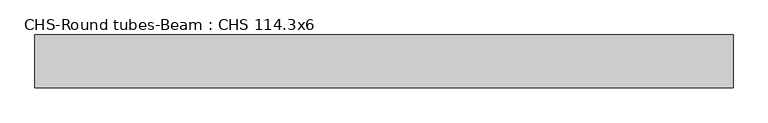
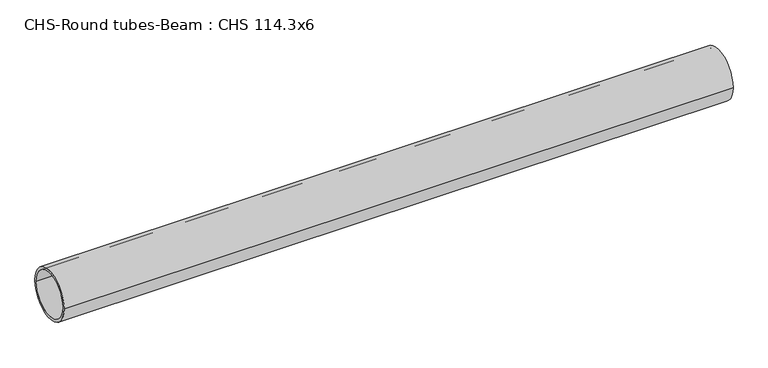
"""IFC4 building model written with IfcOpenShell, lengths in millimetres: beam geometry, CHS-Round tubes-Beam : CHS 114.3x6."""

from ifc_helpers import new_model, si_unit, point, frame, origin, origin_2d, place, context, project, spatial, circle_curve, trimmed, segment, composite_curve, outline, extrude, source, transform, mapped, element, save


def chs_round_tubes_beam_chs_114_3x6_421e227d(model_context):
    return source(origin(), model_context, "Body", "SweptSolid", [
        extrude(outline(composite_curve([segment(trimmed(circle_curve(origin_2d(), 57.15), [point((57.15, 0.0))], [point((-57.15, 0.0))], False, "CARTESIAN"), True, "CONTINUOUS"), segment(trimmed(circle_curve(origin_2d(), 57.15), [point((-57.15, 0.0))], [point((57.15, 0.0))], False, "CARTESIAN"), True, "CONTINUOUS")], self_intersect=False), holes=[composite_curve([segment(trimmed(circle_curve(origin_2d(), 51.15), [point((51.15, 0.0))], [point((-51.15, 0.0))], True, "CARTESIAN"), True, "CONTINUOUS"), segment(trimmed(circle_curve(origin_2d(), 51.15), [point((-51.15, 0.0))], [point((51.15, 0.0))], True, "CARTESIAN"), True, "CONTINUOUS")], self_intersect=False)]), frame((-735.3754681, 0.0, 0.0), z_axis=(1.0, 0.0, 0.0), x_axis=(0.0, 1.0, 0.0)), (0.0, 0.0, 1.0), 1512.4082046),
    ])


if __name__ == "__main__":
    model = new_model("IFC4")
    model_context = context("Model", 3, world=origin())
    ifc_project = project(units=[si_unit("LENGTHUNIT", "METRE", prefix="MILLI")], contexts=[model_context])
    site = spatial("IfcSite", under=ifc_project)
    building = spatial("IfcBuilding", under=site)
    placement = place(None, origin())
    chs_round_tubes_beam_chs_114_3x6_shape = chs_round_tubes_beam_chs_114_3x6_421e227d(model_context)
    element("IfcBeam", 1, ObjectType="CHS-Round tubes-Beam : CHS 114.3x6", at=placement, inside=building, context=model_context, shape_type="MappedRepresentation", body=[
        mapped(chs_round_tubes_beam_chs_114_3x6_shape, transform((0.0, 0.0, 0.0), x_axis=(1.0, 0.0, 0.0), y_axis=(0.0, 1.0, 0.0), z_axis=(0.0, 0.0, 1.0))),
    ])
    save(model, "model.ifc")
